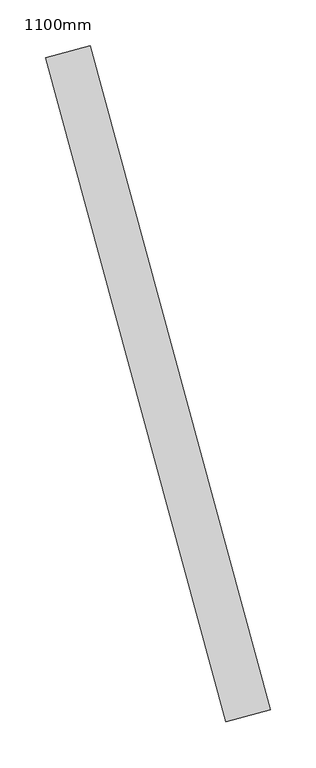
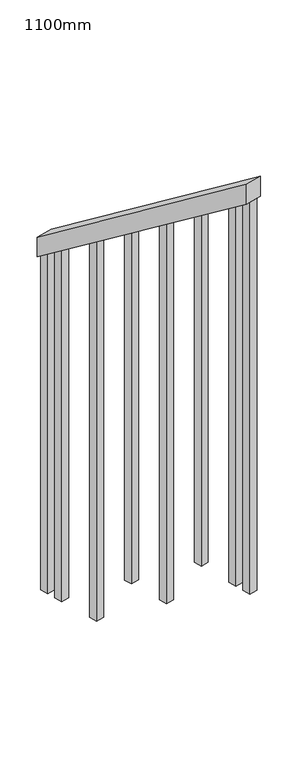
"""IFC4 building model written with IfcOpenShell, lengths in millimetres: railing geometry, 1100mm."""

from ifc_helpers import new_model, si_unit, frame, origin, place, context, project, spatial, polyline, outline, extrude, source, transform, mapped, element, save


def railing_1100mm_156e617f(model_context):
    return source(origin(), model_context, "Body", "SweptSolid", [
        extrude(outline(polyline([(35.5555555, -50.0), (0.0, 0.0), (920.2958462, 0.0), (955.8514017, -49.9999999), (35.5555555, -50.0)])), frame((59586.9544302, 6970.462344, 1216.4247214), z_axis=(0.964989412360186, 0.26228883703418043, 0.0), x_axis=(0.2137536843159606, -0.7864232597554399, 0.5795237863599566)), (0.0, 0.0, 1.0), 50.0),
        extrude(outline(polyline([(108.8888889, 0.0), (1271.980277, 0.0), (1271.980277, -25.0), (91.1111112, -25.0), (108.8888889, 0.0)])), frame((59776.0617629, 6322.3731011, 1805.3136103), z_axis=(0.9649894123601861, 0.26228883703418043, 0.0), x_axis=(0.0, 0.0, -1.0)), (0.0, 0.0, 1.0), 25.0),
        extrude(outline(polyline([(108.8888889, 0.0), (1183.0913881, 0.0), (1183.0913881, -25.0), (91.1111111, -25.0), (108.8888889, 0.0)])), frame((59743.2756583, 6442.9967777, 1716.4247214), z_axis=(0.9649894123601861, 0.26228883703418043, 0.0), x_axis=(0.0, 0.0, -1.0)), (0.0, 0.0, 1.0), 25.0),
        extrude(outline(polyline([(108.8888889, 0.0), (1271.9802769, 0.0), (1271.9802769, -25.0), (91.1111111, -25.0), (108.8888889, 0.0)])), frame((59710.4895536, 6563.6204542, 1627.5358325), z_axis=(0.9649894123601861, 0.26228883703418043, 0.0), x_axis=(0.0, 0.0, -1.0)), (0.0, 0.0, 1.0), 25.0),
        extrude(outline(polyline([(108.8888889, 0.0), (1183.091388, 0.0), (1183.091388, -25.0000001), (91.1111111, -25.0000001), (108.8888889, 0.0)])), frame((59677.703449, 6684.2441308, 1538.6469436), z_axis=(0.9649894123601861, 0.26228883703418043, 0.0), x_axis=(0.0, 0.0, -1.0)), (0.0, 0.0, 1.0), 25.0),
        extrude(outline(polyline([(108.8888889, 0.0), (1271.9802769, 0.0), (1271.9802769, -25.0), (91.1111111, -25.0), (108.8888889, 0.0)])), frame((59644.9173444, 6804.8678073, 1449.7580547), z_axis=(0.9649894123601861, 0.26228883703418043, 0.0), x_axis=(0.0, 0.0, -1.0)), (0.0, 0.0, 1.0), 25.0),
        extrude(outline(polyline([(108.8888889, 0.0), (1183.091388, 0.0), (1183.091388, -25.0), (91.1111111, -25.0), (108.8888889, 0.0)])), frame((59612.1312398, 6925.4914838, 1360.8691658), z_axis=(0.9649894123601861, 0.26228883703418043, 0.0), x_axis=(0.0, 0.0, -1.0)), (0.0, 0.0, 1.0), 25.0),
        extrude(outline(polyline([(108.8888889, 0.0), (1307.5358325, 0.0), (1307.5358325, -25.0), (91.1111111, -25.0), (108.8888889, 0.0)])), frame((59789.1762048, 6274.1236305, 1840.8691658), z_axis=(0.9649894123601861, 0.26228883703418043, 0.0), x_axis=(0.0, 0.0, -1.0)), (0.0, 0.0, 1.0), 25.0),
        extrude(outline(polyline([(108.8888889, 0.0), (1147.5358325, 0.0), (1147.5358325, -25.0), (91.1111112, -25.0), (108.8888889, 0.0)])), frame((59599.0167979, 6973.7409545, 1325.3136103), z_axis=(0.9649894123601861, 0.26228883703418043, 0.0), x_axis=(0.0, 0.0, -1.0)), (0.0, 0.0, 1.0), 25.0),
    ])


if __name__ == "__main__":
    model = new_model("IFC4")
    model_context = context("Model", 3, world=origin())
    ifc_project = project(units=[si_unit("LENGTHUNIT", "METRE", prefix="MILLI")], contexts=[model_context])
    site = spatial("IfcSite", under=ifc_project)
    building = spatial("IfcBuilding", under=site)
    placement = place(None, origin())
    railing_1100mm_shape = railing_1100mm_156e617f(model_context)
    element("IfcRailing", 1, ObjectType="1100mm", at=placement, inside=building, context=model_context, shape_type="MappedRepresentation", body=[
        mapped(railing_1100mm_shape, transform((0.0, 0.0, 0.0), x_axis=(1.0, 0.0, 0.0), y_axis=(0.0, 1.0, 0.0), z_axis=(0.0, 0.0, 1.0))),
    ])
    save(model, "model.ifc")
